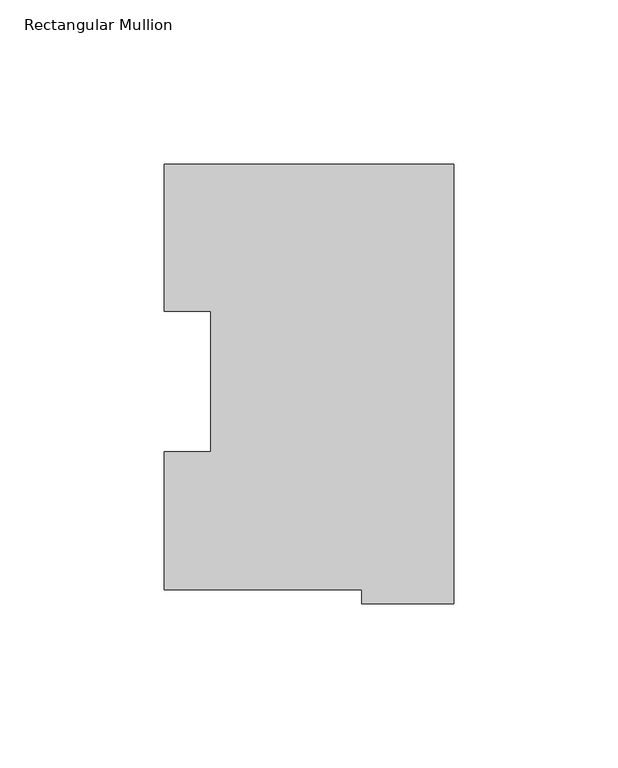
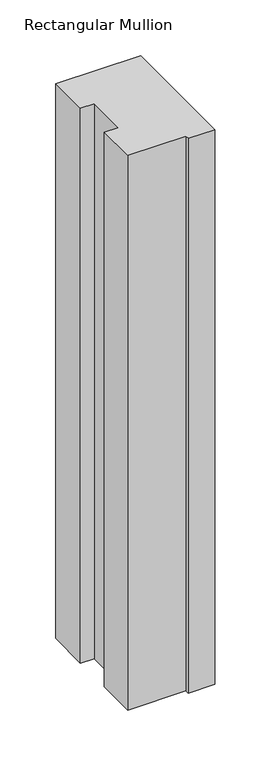
"""IFC4 building model written with IfcOpenShell, lengths in millimetres: member geometry, Rectangular Mullion."""

from ifc_helpers import new_model, si_unit, frame, origin, place, context, project, spatial, polyline, outline, extrude, source, transform, mapped, element, save


def rectangular_mullion_8db3a9ee(model_context):
    return source(origin(), model_context, "Body", "SweptSolid", [
        extrude(outline(polyline([(0.0, 136.6845438), (0.0, 2.6741437), (-27.9710143, 2.6741437), (-27.9710143, 6.8905437), (-88.3010943, 6.8905437), (-88.3010943, 48.9275437), (-74.0262943, 48.9275437), (-74.0262943, 91.7773438), (-88.3010943, 91.7773438), (-88.3010943, 136.6845438), (0.0, 136.6845438)])), frame((0.0, 0.0, -609.6), z_axis=(0.0, 0.0, 1.0), x_axis=(1.0, 0.0, 0.0)), (0.0, 0.0, 1.0), 609.6),
    ])


if __name__ == "__main__":
    model = new_model("IFC4")
    model_context = context("Model", 3, world=origin())
    ifc_project = project(units=[si_unit("LENGTHUNIT", "METRE", prefix="MILLI")], contexts=[model_context])
    site = spatial("IfcSite", under=ifc_project)
    building = spatial("IfcBuilding", under=site)
    placement = place(None, origin())
    rectangular_mullion_shape = rectangular_mullion_8db3a9ee(model_context)
    element("IfcMember", 1, ObjectType="Rectangular Mullion", at=placement, inside=building, context=model_context, shape_type="MappedRepresentation", body=[
        mapped(rectangular_mullion_shape, transform((0.0, 0.0, 0.0), x_axis=(1.0, 0.0, 0.0), y_axis=(0.0, 1.0, 0.0), z_axis=(0.0, 0.0, 1.0))),
    ])
    save(model, "model.ifc")
